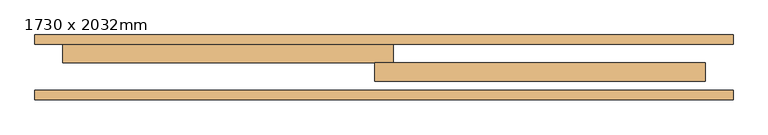
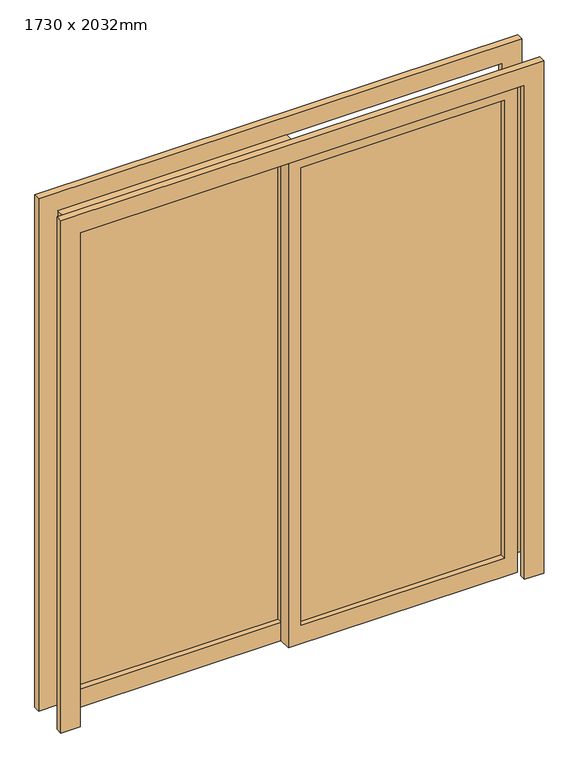
"""IFC4 building model written with IfcOpenShell, lengths in millimetres: door geometry, 1730 x 2032mm."""

from ifc_helpers import new_model, si_unit, frame, origin, place, context, project, spatial, polyline, outline, extrude, source, transform, mapped, element, save


def door_1730_x_2032mm_e206cb6b(model_context):
    return source(origin(), model_context, "Body", "SweptSolid", [
        extrude(outline(polyline([(25.4, 117.175), (815.0, 117.175), (815.0, 110.825), (25.4, 110.825), (25.4, 117.175)])), frame((0.0, 0.0, 75.0), z_axis=(0.0, 0.0, 1.0), x_axis=(1.0, 0.0, 0.0)), (0.0, 0.0, 1.0), 1882.0),
        extrude(outline(polyline([(2032.0, -25.4), (0.0, -25.4), (0.0, 865.0), (2032.0, 865.0), (2032.0, -25.4)]), holes=[polyline([(1957.0, 24.6), (1957.0, 815.0), (75.0, 815.0), (75.0, 24.6), (1957.0, 24.6)])]), frame((0.0, 89.0, 0.0), z_axis=(0.0, 1.0, 0.0), x_axis=(0.0, 0.0, 1.0)), (0.0, 0.0, 1.0), 50.0),
        extrude(outline(polyline([(-815.0, 167.175), (-24.6, 167.175), (-24.6, 160.825), (-815.0, 160.825), (-815.0, 167.175)])), frame((0.0, 0.0, 75.0), z_axis=(0.0, 0.0, 1.0), x_axis=(1.0, 0.0, 0.0)), (0.0, 0.0, 1.0), 1882.0),
        extrude(outline(polyline([(2032.0, 25.4), (2032.0, -865.0), (0.0, -865.0), (0.0, 25.4), (2032.0, 25.4)]), holes=[polyline([(1957.0, -24.6), (75.0, -24.6), (75.0, -815.0), (1957.0, -815.0), (1957.0, -24.6)])]), frame((0.0, 139.0, 0.0), z_axis=(0.0, 1.0, 0.0), x_axis=(0.0, 0.0, 1.0)), (0.0, 0.0, 1.0), 50.0),
        extrude(outline(polyline([(0.0, -940.0), (0.0, -865.0), (2032.0, -865.0), (2032.0, 865.0), (0.0, 865.0), (0.0, 940.0), (2107.0, 940.0), (2107.0, -940.0), (0.0, -940.0)])), frame((0.0, 40.0, 0.0), z_axis=(0.0, 1.0, 0.0), x_axis=(0.0, 0.0, 1.0)), (0.0, 0.0, 1.0), 25.0),
        extrude(outline(polyline([(0.0, 940.0), (2107.0, 940.0), (2107.0, -940.0), (0.0, -940.0), (0.0, -865.0), (2032.0, -865.0), (2032.0, 865.0), (0.0, 865.0), (0.0, 940.0)])), frame((0.0, 189.0, 0.0), z_axis=(0.0, 1.0, 0.0), x_axis=(0.0, 0.0, 1.0)), (0.0, 0.0, 1.0), 25.0),
    ])


if __name__ == "__main__":
    model = new_model("IFC4")
    model_context = context("Model", 3, world=origin())
    ifc_project = project(units=[si_unit("LENGTHUNIT", "METRE", prefix="MILLI")], contexts=[model_context])
    site = spatial("IfcSite", under=ifc_project)
    building = spatial("IfcBuilding", under=site)
    placement = place(None, origin())
    door_1730_x_2032mm_shape = door_1730_x_2032mm_e206cb6b(model_context)
    element("IfcDoor", 1, ObjectType="1730 x 2032mm", at=placement, inside=building, context=model_context, shape_type="MappedRepresentation", body=[
        mapped(door_1730_x_2032mm_shape, transform((0.0, 0.0, 0.0), x_axis=(1.0, 0.0, 0.0), y_axis=(0.0, 1.0, 0.0), z_axis=(0.0, 0.0, 1.0))),
    ])
    save(model, "model.ifc")
